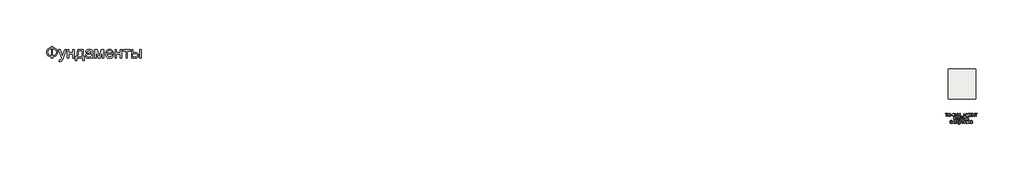
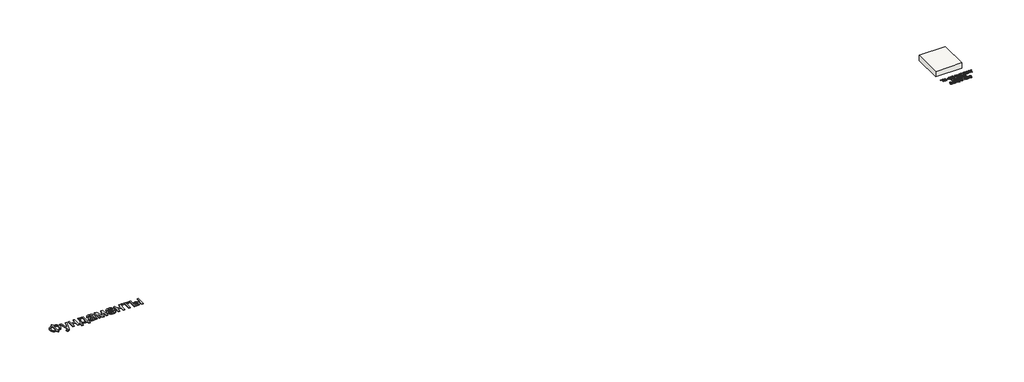
# One storey: 2 proxies, 1 slab.
"""IFC4 building model written with IfcOpenShell, lengths in millimetres."""

from ifc_helpers import new_model, si_unit, frame, origin, origin_with_axes, place, context, project, spatial, polyline, outline, extrude, element, save

model = new_model("IFC4")

# Units and contexts
model_context = context("Model", 3, world=origin())
ifc_project = project(units=[si_unit("LENGTHUNIT", "METRE", prefix="MILLI")], contexts=[model_context])

# Site, building, storey
site = spatial("IfcSite", under=ifc_project)
building = spatial("IfcBuilding", under=site)
storey = spatial("IfcBuildingStorey", under=building, Elevation=0.0)

# Proxies
placement = place(None, origin())
element("IfcBuildingElementProxy", 1, Name="Generic Models", at=placement, inside=storey, context=model_context, shape_type="SweptSolid", body=[
    extrude(outline(polyline([(-1939.8736325, -26885.7211043), (-1939.8736325, -26787.7817103), (-1841.9342386, -26787.7817103), (-1841.9342386, -26885.7211043), (-1772.0723186, -26894.3529698), (-1709.9695132, -26912.2144755), (-1655.6258224, -26939.3056213), (-1609.0412461, -26975.6264073), (-1571.6743546, -27019.0607113), (-1544.9837177, -27067.4924111), (-1528.9693356, -27120.9215067), (-1523.6312083, -27179.3479982), (-1528.8019587, -27236.6028514), (-1544.3142102, -27289.3863505), (-1570.1679625, -27337.6984954), (-1606.3632158, -27381.5392861), (-1628.1416397, -27401.1761824), (-1652.1109076, -27418.4817577), (-1706.6219753, -27446.0989452), (-1769.896419, -27464.3908486), (-1841.9342386, -27473.3574679), (-1841.9342386, -27571.2968619), (-1939.8736325, -27571.2968619), (-1939.8736325, -27473.3574679), (-2005.3060425, -27466.0586398), (-2065.0237272, -27449.518216), (-2119.0266865, -27423.7361966), (-2167.3149204, -27388.7125816), (-2207.0669327, -27345.8939854), (-2222.6837947, -27322.10405), (-2235.4612272, -27296.7270228), (-2245.3992303, -27269.7629041), (-2252.4978039, -27241.2116938), (-2258.1766628, -27179.3479982), (-2252.5157371, -27117.2033486), (-2245.4395801, -27088.5878775), (-2235.5329602, -27061.6103088), (-2222.7958774, -27036.2706426), (-2207.2283318, -27012.5688789), (-2188.8303234, -26990.5050176), (-2167.6018522, -26970.0790588), (-2119.4032845, -26935.3961753), (-2065.382392, -26909.775555), (-2005.5391746, -26893.217198), (-1939.8736325, -26885.7211043)]), holes=[polyline([(-1841.9342386, -26983.6604982), (-1841.9342386, -27375.418074), (-1793.3949393, -27370.2234125), (-1750.3073446, -27359.2303372), (-1712.6714545, -27342.4388481), (-1680.4872689, -27319.8489452), (-1654.7112272, -27291.9627591), (-1636.2997689, -27259.2824206), (-1625.2528939, -27221.8079296), (-1621.5706022, -27179.5392861), (-1625.1871387, -27137.922217), (-1636.036748, -27100.872146), (-1654.1194303, -27068.389073), (-1679.4351855, -27040.4729982), (-1711.2905951, -27017.6977852), (-1748.9922405, -27000.6372975), (-1792.5401216, -26989.2915352), (-1841.9342386, -26983.6604982)]), polyline([(-1939.8736325, -26983.6604982), (-1986.781007, -26988.5861611), (-2028.989873, -26999.3461043), (-2066.5002305, -27015.9403278), (-2099.3120795, -27038.3688316), (-2125.9668498, -27066.2012179), (-2145.0059715, -27099.0070891), (-2156.4294445, -27136.7864452), (-2160.2372689, -27179.5392861), (-2156.4772665, -27221.9035735), (-2145.1972594, -27259.4737085), (-2126.3972476, -27292.2496909), (-2100.077231, -27320.231521), (-2067.5044919, -27342.8692459), (-2029.9463124, -27359.612913), (-1987.4026926, -27370.4625224), (-1939.8736325, -27375.418074), (-1939.8736325, -26983.6604982)])]), origin_with_axes(), (0.0, 0.0, 1.0), 40.0),
    extrude(outline(polyline([(-1401.2069658, -27791.6604982), (-1413.4493901, -27697.355574), (-1386.764731, -27703.8115399), (-1363.7145416, -27705.9635285), (-1337.5559242, -27703.2615872), (-1317.2315871, -27695.1557634), (-1301.4025151, -27682.2199206), (-1288.7296931, -27665.0279225), (-1261.9493901, -27592.9123922), (-1254.2978749, -27569.1926952), (-1462.4190871, -26995.9029225), (-1359.1236325, -26995.9029225), (-1248.7505264, -27315.35368), (-1210.3016628, -27443.1339831), (-1171.8527992, -27330.2741346), (-1058.4190871, -26995.9029225), (-955.888784, -26995.9029225), (-1156.1671931, -27585.0695891), (-1185.9124583, -27663.4019755), (-1208.1974961, -27712.8498922), (-1234.8343333, -27753.6420323), (-1265.0099961, -27781.9048164), (-1300.0634999, -27798.403396), (-1341.3338598, -27803.9029225), (-1369.6922878, -27800.8423164), (-1401.2069658, -27791.6604982)])), origin_with_axes(), (0.0, 0.0, 1.0), 40.0),
    extrude(outline(polyline([(-874.7827234, -26995.9029225), (-776.8433295, -26995.9029225), (-776.8433295, -27216.2665588), (-519.7524204, -27216.2665588), (-519.7524204, -26995.9029225), (-421.8130264, -26995.9029225), (-421.8130264, -27571.2968619), (-519.7524204, -27571.2968619), (-519.7524204, -27314.2059528), (-776.8433295, -27314.2059528), (-776.8433295, -27571.2968619), (-874.7827234, -27571.2968619), (-874.7827234, -26995.9029225)])), origin_with_axes(), (0.0, 0.0, 1.0), 40.0),
    extrude(outline(polyline([(-189.2069658, -26995.9029225), (178.0657614, -26995.9029225), (178.0657614, -27473.3574679), (251.5203069, -27473.3574679), (251.5203069, -27730.448377), (153.5809129, -27730.448377), (153.5809129, -27571.2968619), (-250.4190871, -27571.2968619), (-250.4190871, -27730.448377), (-348.358481, -27730.448377), (-348.358481, -27473.3574679), (-287.1463598, -27473.3574679), (-263.2293972, -27436.3970631), (-242.648017, -27392.9448259), (-225.4022192, -27343.0007563), (-211.4920037, -27286.5648543), (-200.9173707, -27223.6371199), (-193.67832, -27154.2175531), (-189.7748517, -27078.306154), (-189.2069658, -26995.9029225)]), holes=[polyline([(-103.5099961, -27093.8423164), (-111.5440871, -27213.7559054), (-126.4645416, -27316.979627), (-148.2713598, -27403.5134812), (-161.7571552, -27440.521708), (-176.9645416, -27473.3574679), (80.1263675, -27473.3574679), (80.1263675, -27093.8423164), (-103.5099961, -27093.8423164)])]), origin_with_axes(), (0.0, 0.0, 1.0), 40.0),
    extrude(outline(polyline([(728.9748523, -27497.8423164), (682.181055, -27537.964949), (658.2640924, -27552.8256261), (634.0004205, -27564.2192103), (583.3330436, -27578.7092672), (529.079019, -27583.5392861), (485.4713604, -27580.6341014), (447.2317179, -27571.9185475), (414.3600914, -27557.3926242), (386.8564811, -27537.0563316), (365.1393291, -27512.2008628), (349.6270777, -27484.1174111), (340.3197269, -27452.8059764), (337.2172766, -27418.2665588), (341.9038296, -27377.6657066), (355.9634887, -27340.7949679), (377.650752, -27309.2324679), (405.2201175, -27284.5563316), (437.619502, -27265.9057634), (473.796822, -27252.4199679), (558.5373523, -27237.6908013), (658.6765569, -27222.1964831), (728.4009887, -27204.0241346), (728.9748523, -27182.2173164), (727.2891279, -27158.4737085), (722.2319546, -27138.5080361), (713.8033325, -27122.3202994), (702.0032614, -27109.9104982), (681.6071914, -27097.5246081), (656.7636781, -27088.6775437), (627.4727217, -27083.369305), (593.734322, -27081.5998922), (535.391519, -27086.3103562), (512.8195493, -27092.1984362), (494.6472008, -27100.4417482), (479.7147908, -27111.6858888), (466.8626364, -27126.5764547), (456.0907378, -27145.1134457), (447.3990948, -27167.2968619), (349.4597008, -27155.0544376), (366.4604111, -27101.4938316), (378.0990829, -27079.0175058), (391.829966, -27059.4104982), (408.2448571, -27042.2782776), (427.9355531, -27027.2263126), (450.902054, -27014.2546033), (477.1443599, -27003.3631497), (537.3283088, -26988.5861611), (606.359322, -26983.6604982), (672.5688391, -26988.0122975), (725.0534508, -27001.0676952), (764.6261307, -27020.6986138), (792.0998523, -27044.7769755), (810.3200228, -27074.5461516), (822.1320493, -27111.2495134), (825.718697, -27145.1074679), (826.9142463, -27196.9464831), (826.9142463, -27318.7968619), (828.1576175, -27424.9377236), (831.8877311, -27488.94743), (839.2523145, -27531.0068524), (851.3990948, -27571.2968619), (753.4597008, -27571.2968619), (737.7740948, -27537.2476194), (728.9748523, -27497.8423164)]), holes=[polyline([(728.9748523, -27301.9635285), (663.171822, -27318.2708202), (570.9710645, -27331.9957255), (520.1602217, -27339.5037747), (486.7087539, -27347.8726194), (464.7823807, -27358.7282066), (448.546822, -27373.6964831), (438.5042084, -27391.6297217), (435.1566705, -27411.3801952), (436.9798831, -27426.599537), (442.4495209, -27440.5037747), (451.5655839, -27453.0929083), (464.328072, -27464.3669376), (480.6174305, -27473.6563552), (500.3141042, -27480.2916535), (549.9293978, -27485.5998922), (602.5335645, -27479.7417009), (626.5401932, -27472.4189618), (649.016519, -27462.167127), (686.7002311, -27436.2715304), (712.9066705, -27405.450271), (724.5274092, -27373.6964831), (728.4009887, -27329.700271), (728.9748523, -27301.9635285)])]), origin_with_axes(), (0.0, 0.0, 1.0), 40.0),
    extrude(outline(polyline([(961.5809129, -26995.9029225), (1130.1055342, -26995.9029225), (1259.9900039, -27456.5241346), (1400.0127311, -26995.9029225), (1561.4597008, -26995.9029225), (1561.4597008, -27571.2968619), (1463.5203069, -27571.2968619), (1463.5203069, -27107.9976194), (1322.7324281, -27571.2968619), (1194.1869736, -27571.2968619), (1059.5203069, -27085.8082255), (1059.5203069, -27571.2968619), (961.5809129, -27571.2968619), (961.5809129, -26995.9029225)])), origin_with_axes(), (0.0, 0.0, 1.0), 40.0),
    extrude(outline(polyline([(2111.2210645, -27399.9029225), (2207.2475796, -27412.1453467), (2192.5243907, -27450.6061658), (2172.6483845, -27484.4999869), (2147.6195611, -27513.8268098), (2117.4379205, -27538.5866346), (2082.4143055, -27558.2534196), (2042.8595588, -27572.3011232), (1998.7736805, -27580.7297454), (1950.1566705, -27583.5392861), (1889.3869025, -27578.6913339), (1835.2404773, -27564.1474774), (1787.717395, -27539.9077165), (1746.8176554, -27505.9720513), (1713.9280957, -27463.2849656), (1690.4355531, -27412.7909433), (1676.3400275, -27354.4899845), (1671.641519, -27288.3820891), (1676.3878495, -27220.0325389), (1690.626841, -27159.7888126), (1714.3584934, -27107.6509102), (1747.5828069, -27063.6188316), (1788.374947, -27028.6370607), (1834.8100796, -27003.6500816), (1886.8882046, -26988.6578941), (1944.609322, -26983.6604982), (2000.4713604, -26988.6459386), (2050.9892936, -27003.6022596), (2096.1631218, -27028.5294613), (2135.9928448, -27063.4275437), (2168.5058064, -27107.3639783), (2191.7293504, -27159.4062369), (2205.6634769, -27219.5543192), (2210.3081857, -27287.8082255), (2209.734322, -27314.2059528), (1769.5809129, -27314.2059528), (1775.2537941, -27353.2884575), (1786.5338012, -27387.5170323), (1803.4209343, -27416.8916772), (1825.9151932, -27441.4123922), (1852.773207, -27460.7444234), (1882.7516042, -27474.5530172), (1915.850385, -27482.8381734), (1952.0695493, -27485.5998922), (2004.1954963, -27480.4829414), (2048.0960645, -27465.1320891), (2066.9618315, -27453.3798401), (2083.7712539, -27438.590896), (2098.5243315, -27420.7652567), (2111.2210645, -27399.9029225)]), holes=[polyline([(1769.5809129, -27216.2665588), (2112.3687917, -27216.2665588), (2107.3355294, -27188.5537274), (2099.1221061, -27164.5231876), (2087.7285218, -27144.1749395), (2073.1547766, -27127.5089831), (2046.4462065, -27107.4237558), (2016.0553448, -27093.0771649), (1981.9821914, -27084.4692103), (1944.2267463, -27081.5998922), (1909.7889504, -27083.889369), (1878.2085171, -27090.7577994), (1849.4854466, -27102.2051834), (1823.6197387, -27118.231521), (1801.9145422, -27138.0955716), (1785.6730057, -27161.0560948), (1774.8951293, -27187.1130906), (1769.5809129, -27216.2665588)])]), origin_with_axes(), (0.0, 0.0, 1.0), 40.0),
    extrude(outline(polyline([(2308.2475796, -26995.9029225), (2406.1869736, -26995.9029225), (2406.1869736, -27216.2665588), (2663.2778826, -27216.2665588), (2663.2778826, -26995.9029225), (2761.2172766, -26995.9029225), (2761.2172766, -27571.2968619), (2663.2778826, -27571.2968619), (2663.2778826, -27314.2059528), (2406.1869736, -27314.2059528), (2406.1869736, -27571.2968619), (2308.2475796, -27571.2968619), (2308.2475796, -26995.9029225)])), origin_with_axes(), (0.0, 0.0, 1.0), 40.0),
    extrude(outline(polyline([(2859.1566705, -26995.9029225), (3324.3687917, -26995.9029225), (3324.3687917, -27093.8423164), (3140.7324281, -27093.8423164), (3140.7324281, -27571.2968619), (3042.7930342, -27571.2968619), (3042.7930342, -27093.8423164), (2859.1566705, -27093.8423164), (2859.1566705, -26995.9029225)])), origin_with_axes(), (0.0, 0.0, 1.0), 40.0),
    extrude(outline(polyline([(3948.7324281, -26995.9029225), (4046.671822, -26995.9029225), (4046.671822, -27571.2968619), (3948.7324281, -27571.2968619), (3948.7324281, -26995.9029225)])), origin_with_axes(), (0.0, 0.0, 1.0), 40.0),
    extrude(outline(polyline([(3410.0657614, -26995.9029225), (3508.0051554, -26995.9029225), (3508.0051554, -27204.0241346), (3629.0903826, -27204.0241346), (3684.8089551, -27207.0907184), (3733.7487633, -27216.2904698), (3775.9098074, -27231.6233888), (3811.2920872, -27253.0894755), (3839.2858727, -27279.9474892), (3859.2814338, -27311.4561895), (3871.2787704, -27347.6155763), (3875.2778826, -27388.4256497), (3871.924367, -27424.8361019), (3861.8638201, -27458.5087463), (3845.096242, -27489.443583), (3821.6216326, -27517.6406119), (3790.7824399, -27541.1152212), (3751.9211118, -27557.8827994), (3705.0376483, -27567.9433462), (3650.1320493, -27571.2968619), (3410.0657614, -27571.2968619), (3410.0657614, -26995.9029225)]), holes=[polyline([(3508.0051554, -27473.3574679), (3608.6225796, -27473.3574679), (3686.6202122, -27468.2166062), (3715.8274802, -27461.790529), (3738.5070493, -27452.794021), (3755.495804, -27441.0716606), (3767.6306289, -27426.4680266), (3774.9115237, -27408.983119), (3777.3384887, -27388.6169376), (3775.5391871, -27372.1542245), (3770.1412823, -27356.6240399), (3761.1447742, -27342.0263836), (3748.5496629, -27328.3612558), (3729.8094286, -27316.8122501), (3702.3775512, -27308.5629603), (3666.2540308, -27303.6133865), (3621.4388675, -27301.9635285), (3508.0051554, -27301.9635285), (3508.0051554, -27473.3574679)])]), origin_with_axes(), (0.0, 0.0, 1.0), 40.0),
])
element("IfcBuildingElementProxy", 2, Name="Generic Models", at=placement, inside=storey, context=model_context, shape_type="SweptSolid", body=[
    extrude(outline(polyline([(57737.5148285, -31458.9381717), (57737.5148285, -31286.6304794), (57672.8994439, -31286.6304794), (57672.8994439, -31262.0150948), (57826.7455977, -31262.0150948), (57826.7455977, -31286.6304794), (57762.1302131, -31286.6304794), (57762.1302131, -31458.9381717), (57737.5148285, -31458.9381717)])), origin_with_axes(), (0.0, 0.0, 1.0), 20.0),
    extrude(outline(polyline([(57854.4379054, -31458.9381717), (57854.4379054, -31262.0150948), (57879.05329, -31262.0150948), (57879.05329, -31342.0150948), (57983.6686746, -31342.0150948), (57983.6686746, -31262.0150948), (58008.2840592, -31262.0150948), (58008.2840592, -31458.9381717), (57983.6686746, -31458.9381717), (57983.6686746, -31366.6304794), (57879.05329, -31366.6304794), (57879.05329, -31458.9381717), (57854.4379054, -31458.9381717)])), origin_with_axes(), (0.0, 0.0, 1.0), 20.0),
    extrude(outline(polyline([(58035.9763669, -31400.4766332), (58035.9763669, -31375.8612486), (58112.8994439, -31375.8612486), (58112.8994439, -31400.4766332), (58035.9763669, -31400.4766332)])), origin_with_axes(), (0.0, 0.0, 1.0), 20.0),
    extrude(outline(polyline([(58214.4379054, -31286.6304794), (58214.4379054, -31262.0150948), (58239.05329, -31262.0150948), (58239.05329, -31286.6304794), (58272.2203573, -31293.2891332), (58297.5869439, -31309.2266332), (58313.6867035, -31332.3155756), (58319.05329, -31360.4285563), (58313.8549727, -31388.0848063), (58298.2600208, -31411.245864), (58273.0617035, -31427.4718256), (58239.05329, -31434.3227871), (58239.05329, -31458.9381717), (58214.4379054, -31458.9381717), (58214.4379054, -31434.3227871), (58182.9835785, -31428.3312006), (58157.2744439, -31413.0487486), (58147.2834583, -31402.2870299), (58140.14704, -31389.9297582), (58134.4379054, -31360.4285563), (58140.1290112, -31330.8372102), (58147.2428934, -31318.511489), (58157.2023285, -31307.8324025), (58182.8934342, -31292.6761525), (58214.4379054, -31286.6304794)]), holes=[polyline([(58214.4379054, -31311.245864), (58192.0400689, -31315.1881717), (58174.36579, -31324.995864), (58162.881415, -31340.2362486), (58159.05329, -31360.4766332), (58162.8333381, -31380.5667775), (58174.1734823, -31395.8372102), (58191.7996842, -31405.7350467), (58214.4379054, -31409.7074025), (58214.4379054, -31311.245864)]), polyline([(58239.05329, -31311.245864), (58239.05329, -31409.7074025), (58262.0821362, -31405.6388929), (58279.6302131, -31395.7410563), (58290.7359823, -31380.5187006), (58294.4379054, -31360.4766332), (58290.8020881, -31340.7049986), (58279.8946362, -31325.5247102), (58262.412665, -31315.5126909), (58239.05329, -31311.245864)])]), origin_with_axes(), (0.0, 0.0, 1.0), 20.0),
    extrude(outline(polyline([(58339.05329, -31262.0150948), (58366.3129054, -31262.0150948), (58425.2071362, -31378.6497102), (58478.1879054, -31262.0150948), (58505.2071362, -31262.0150948), (58430.4475208, -31415.4285563), (58410.1109823, -31453.120864), (58400.45954, -31459.7915371), (58387.3705977, -31462.0150948), (58365.2071362, -31458.9381717), (58365.2071362, -31437.3997102), (58384.5821362, -31437.3997102), (58398.9571362, -31431.9189409), (58412.2744439, -31406.9670179), (58339.05329, -31262.0150948)])), origin_with_axes(), (0.0, 0.0, 1.0), 20.0),
    extrude(outline(polyline([(58528.2840592, -31458.9381717), (58528.2840592, -31262.0150948), (58552.8994439, -31262.0150948), (58552.8994439, -31342.0150948), (58657.5148285, -31342.0150948), (58657.5148285, -31262.0150948), (58682.1302131, -31262.0150948), (58682.1302131, -31458.9381717), (58657.5148285, -31458.9381717), (58657.5148285, -31366.6304794), (58552.8994439, -31366.6304794), (58552.8994439, -31458.9381717), (58528.2840592, -31458.9381717)])), origin_with_axes(), (0.0, 0.0, 1.0), 20.0),
    extrude(outline(polyline([(58743.6686746, -31262.0150948), (58860.5917515, -31262.0150948), (58860.5917515, -31434.3227871), (58879.05329, -31434.3227871), (58879.05329, -31505.0920179), (58854.4379054, -31505.0920179), (58854.4379054, -31458.9381717), (58728.2840592, -31458.9381717), (58728.2840592, -31505.0920179), (58703.6686746, -31505.0920179), (58703.6686746, -31434.3227871), (58719.05329, -31434.3227871), (58729.8225208, -31411.9940611), (58737.5148285, -31380.5848063), (58742.1302131, -31340.0950227), (58743.6686746, -31290.5247102), (58743.6686746, -31262.0150948)]), holes=[polyline([(58835.9763669, -31286.6304794), (58768.2840592, -31286.6304794), (58768.2840592, -31296.5343256), (58763.2840592, -31363.9862486), (58755.8802131, -31402.964614), (58743.6686746, -31434.3227871), (58835.9763669, -31434.3227871), (58835.9763669, -31286.6304794)])]), origin_with_axes(), (0.0, 0.0, 1.0), 20.0),
    extrude(outline(polyline([(58886.8898285, -31458.9381717), (58965.4955977, -31262.0150948), (58986.4571362, -31262.0150948), (59065.0629054, -31458.9381717), (59039.05329, -31458.9381717), (59016.5052131, -31397.3997102), (58935.3994439, -31397.3997102), (58912.8994439, -31458.9381717), (58886.8898285, -31458.9381717)]), holes=[polyline([(58944.4379054, -31372.7843256), (59007.5148285, -31372.7843256), (58989.7744439, -31324.370864), (58975.9763669, -31286.6304794), (58963.7167515, -31320.1400948), (58944.4379054, -31372.7843256)])]), origin_with_axes(), (0.0, 0.0, 1.0), 20.0),
    extrude(outline(polyline([(59091.3609823, -31458.9381717), (59091.3609823, -31262.0150948), (59133.7167515, -31262.0150948), (59174.0052131, -31400.8131717), (59182.1302131, -31429.8035563), (59190.92829, -31398.4093256), (59230.5436746, -31262.0150948), (59272.8994439, -31262.0150948), (59272.8994439, -31458.9381717), (59248.2840592, -31458.9381717), (59248.2840592, -31286.6304794), (59198.8129054, -31458.9381717), (59165.4475208, -31458.9381717), (59115.9763669, -31286.6304794), (59115.9763669, -31458.9381717), (59091.3609823, -31458.9381717)])), origin_with_axes(), (0.0, 0.0, 1.0), 20.0),
    extrude(outline(polyline([(59315.9763669, -31458.9381717), (59315.9763669, -31262.0150948), (59457.5148285, -31262.0150948), (59457.5148285, -31286.6304794), (59340.5917515, -31286.6304794), (59340.5917515, -31345.0920179), (59451.3609823, -31345.0920179), (59451.3609823, -31369.7074025), (59340.5917515, -31369.7074025), (59340.5917515, -31434.3227871), (59460.5917515, -31434.3227871), (59460.5917515, -31458.9381717), (59315.9763669, -31458.9381717)])), origin_with_axes(), (0.0, 0.0, 1.0), 20.0),
    extrude(outline(polyline([(59497.5148285, -31458.9381717), (59497.5148285, -31262.0150948), (59522.1302131, -31262.0150948), (59522.1302131, -31342.0150948), (59626.7455977, -31342.0150948), (59626.7455977, -31262.0150948), (59651.3609823, -31262.0150948), (59651.3609823, -31458.9381717), (59626.7455977, -31458.9381717), (59626.7455977, -31366.6304794), (59522.1302131, -31366.6304794), (59522.1302131, -31458.9381717), (59497.5148285, -31458.9381717)])), origin_with_axes(), (0.0, 0.0, 1.0), 20.0),
    extrude(outline(polyline([(59743.6686746, -31458.9381717), (59743.6686746, -31286.6304794), (59679.05329, -31286.6304794), (59679.05329, -31262.0150948), (59832.8994439, -31262.0150948), (59832.8994439, -31286.6304794), (59768.2840592, -31286.6304794), (59768.2840592, -31458.9381717), (59743.6686746, -31458.9381717)])), origin_with_axes(), (0.0, 0.0, 1.0), 20.0),
    extrude(outline(polyline([(58263.6686746, -31505.0920179), (58288.2840592, -31505.0920179), (58288.2840592, -31591.245864), (58304.9487227, -31589.6172582), (58315.8080977, -31584.7314409), (58324.5881458, -31573.2350467), (58335.0148285, -31551.7747102), (58348.5965592, -31524.2506717), (58363.9811746, -31510.620864), (58385.9763669, -31505.0920179), (58402.1302131, -31505.3804794), (58402.1302131, -31529.995864), (58396.6975208, -31529.8516332), (58391.2648285, -31529.7074025), (58379.99079, -31531.1857679), (58372.0340592, -31535.620864), (58357.4186746, -31560.9574025), (58339.99079, -31591.8227871), (58322.9955977, -31602.0150948), (58341.9980015, -31613.1449025), (58360.7359823, -31636.3420179), (58402.1302131, -31702.0150948), (58373.5725208, -31702.0150948), (58338.5725208, -31646.5343256), (58313.9330977, -31617.5679794), (58302.5568958, -31611.6725467), (58288.2840592, -31609.7074025), (58288.2840592, -31702.0150948), (58263.6686746, -31702.0150948), (58263.6686746, -31505.0920179)])), origin_with_axes(), (0.0, 0.0, 1.0), 20.0),
    extrude(outline(polyline([(58432.8994439, -31557.3997102), (58543.6686746, -31557.3997102), (58543.6686746, -31701.870864), (58519.05329, -31701.870864), (58519.05329, -31582.0150948), (58457.5148285, -31582.0150948), (58457.5148285, -31651.0054794), (58455.8561746, -31682.8324025), (58446.7455977, -31696.2699025), (58437.6350208, -31700.5787967), (58425.2071362, -31702.0150948), (58405.2071362, -31700.7650948), (58405.2071362, -31677.3997102), (58416.2167515, -31677.3997102), (58427.3465592, -31675.8852871), (58431.7936746, -31671.0775948), (58432.8994439, -31649.6112486), (58432.8994439, -31557.3997102)])), origin_with_axes(), (0.0, 0.0, 1.0), 20.0),
    extrude(outline(polyline([(58672.8994439, -31683.5535563), (58649.0292515, -31700.2362486), (58622.6590592, -31705.0920179), (58602.0881458, -31702.1713448), (58586.9138669, -31693.4093256), (58577.5568958, -31680.1040371), (58574.4379054, -31663.5535563), (58579.1494439, -31644.0824025), (58591.5292515, -31629.9477871), (58608.7648285, -31621.870864), (58630.0629054, -31618.1689409), (58672.7552131, -31609.7074025), (58672.8994439, -31604.2266332), (58671.2047323, -31593.2410563), (58666.1205977, -31586.0535563), (58654.7504054, -31580.7170179), (58638.9090592, -31578.9381717), (58614.0052131, -31583.6737486), (58607.02204, -31590.2422582), (58602.1302131, -31600.4766332), (58577.5148285, -31597.3997102), (58588.1638669, -31573.3612486), (58597.2383862, -31565.2723063), (58609.6061746, -31559.2747102), (58642.0821362, -31554.3227871), (58671.9138669, -31558.6977871), (58688.7648285, -31569.683364), (58696.3129054, -31586.3900948), (58697.5148285, -31607.9285563), (58697.5148285, -31638.5535563), (58698.7648285, -31681.3179794), (58703.6686746, -31702.0150948), (58679.05329, -31702.0150948), (58672.8994439, -31683.5535563)]), holes=[polyline([(58672.8994439, -31634.3227871), (58633.1879054, -31641.870864), (58612.0100208, -31645.8612486), (58602.4186746, -31652.3516332), (58599.05329, -31661.8227871), (58600.8862227, -31669.1424986), (58606.3850208, -31675.1400948), (58615.4294919, -31679.1424986), (58627.8994439, -31680.4766332), (58641.1205977, -31679.0042775), (58652.80329, -31674.5872102), (58668.8609823, -31660.3324025), (58672.7552131, -31641.2939409), (58672.8994439, -31634.3227871)])]), origin_with_axes(), (0.0, 0.0, 1.0), 20.0),
    extrude(outline(polyline([(58823.6686746, -31649.7074025), (58848.2840592, -31652.7843256), (58841.4210785, -31674.6773544), (58828.5244439, -31691.2218256), (58810.8080977, -31701.6244698), (58789.4859823, -31705.0920179), (58763.3020881, -31700.2542775), (58742.8273285, -31685.7410563), (58729.6121842, -31662.1893736), (58725.2071362, -31630.2362486), (58727.0881458, -31608.3312006), (58732.7311746, -31589.3468256), (58742.2263669, -31574.0162967), (58755.6638669, -31563.0727871), (58771.7395881, -31556.5102871), (58789.1494439, -31554.3227871), (58809.9487227, -31557.3275948), (58826.5773285, -31566.3420179), (58838.506415, -31580.8852871), (58845.2071362, -31600.4766332), (58820.5917515, -31603.5535563), (58816.1266073, -31592.8143736), (58809.1734823, -31585.1160563), (58800.1169919, -31580.4826429), (58789.3417515, -31578.9381717), (58773.4342996, -31581.9790371), (58760.8080977, -31591.1016332), (58752.568915, -31606.7987486), (58749.8225208, -31629.5631717), (58752.5088189, -31652.6340852), (58760.5677131, -31668.3852871), (58772.9655496, -31677.4537967), (58788.6686746, -31680.4766332), (58801.4150689, -31678.589614), (58811.86579, -31672.9285563), (58819.4679535, -31663.3492294), (58823.6686746, -31649.7074025)])), origin_with_axes(), (0.0, 0.0, 1.0), 20.0),
    extrude(outline(polyline([(58962.1302131, -31649.7074025), (58986.7455977, -31652.7843256), (58979.8826169, -31674.6773544), (58966.9859823, -31691.2218256), (58949.2696362, -31701.6244698), (58927.9475208, -31705.0920179), (58901.7636265, -31700.2542775), (58881.2888669, -31685.7410563), (58868.0737227, -31662.1893736), (58863.6686746, -31630.2362486), (58865.5496842, -31608.3312006), (58871.1927131, -31589.3468256), (58880.6879054, -31574.0162967), (58894.1254054, -31563.0727871), (58910.2011265, -31556.5102871), (58927.6109823, -31554.3227871), (58948.4102612, -31557.3275948), (58965.0388669, -31566.3420179), (58976.9679535, -31580.8852871), (58983.6686746, -31600.4766332), (58959.05329, -31603.5535563), (58954.5881458, -31592.8143736), (58947.6350208, -31585.1160563), (58938.5785304, -31580.4826429), (58927.80329, -31578.9381717), (58911.8958381, -31581.9790371), (58899.2696362, -31591.1016332), (58891.0304535, -31606.7987486), (58888.2840592, -31629.5631717), (58890.9703573, -31652.6340852), (58899.0292515, -31668.3852871), (58911.4270881, -31677.4537967), (58927.1302131, -31680.4766332), (58939.8766073, -31678.589614), (58950.3273285, -31672.9285563), (58957.9294919, -31663.3492294), (58962.1302131, -31649.7074025)])), origin_with_axes(), (0.0, 0.0, 1.0), 20.0),
    extrude(outline(polyline([(59008.2840592, -31557.3997102), (59032.8994439, -31557.3997102), (59032.8994439, -31667.6881717), (59093.3802131, -31557.3997102), (59125.2071362, -31557.3997102), (59125.2071362, -31702.0150948), (59100.5917515, -31702.0150948), (59100.5917515, -31592.3997102), (59040.4955977, -31702.0150948), (59008.2840592, -31702.0150948), (59008.2840592, -31557.3997102)])), origin_with_axes(), (0.0, 0.0, 1.0), 20.0),
    extrude(outline(polyline([(59162.1302131, -31557.3997102), (59186.7455977, -31557.3997102), (59186.7455977, -31618.9381717), (59203.2359823, -31614.5150948), (59216.7455977, -31588.745864), (59227.9715592, -31566.5102871), (59237.8754054, -31559.2747102), (59255.8802131, -31557.3997102), (59260.5917515, -31557.3997102), (59260.5917515, -31582.1593256), (59253.9571362, -31582.0150948), (59241.9379054, -31584.6112486), (59233.4763669, -31600.8131717), (59223.5484823, -31618.3372102), (59209.6302131, -31626.9189409), (59225.1590592, -31636.4982679), (59240.3994439, -31656.6785563), (59266.7455977, -31702.0150948), (59238.7648285, -31702.0150948), (59212.9475208, -31657.6400948), (59199.9667515, -31638.8660563), (59186.7455977, -31634.3227871), (59186.7455977, -31702.0150948), (59162.1302131, -31702.0150948), (59162.1302131, -31557.3997102)])), origin_with_axes(), (0.0, 0.0, 1.0), 20.0),
    extrude(outline(polyline([(58068.2840592, -31831.245864), (58142.1302131, -31831.245864), (58136.70954, -31805.855239), (58123.7167515, -31786.3179794), (58103.74079, -31773.8600467), (58077.3705977, -31769.7074025), (58057.4937948, -31772.2074025), (58041.6614631, -31779.7074025), (58029.8736025, -31792.2074025), (58022.1302131, -31809.7074025), (57997.5148285, -31803.5535563), (58008.0436746, -31779.058364), (58025.2071362, -31760.5727871), (58048.1758862, -31748.9622102), (58076.1205977, -31745.0920179), (58102.95954, -31748.6437006), (58125.7840592, -31759.2987486), (58143.9150689, -31775.4766332), (58156.6734823, -31795.5968256), (58164.2275689, -31818.8600467), (58166.7455977, -31844.4670179), (58165.9793717, -31865.520203), (58162.1903092, -31884.8336044), (58155.3784102, -31902.4072222), (58145.5436746, -31918.2410563), (58132.710141, -31931.3345058), (58116.9018477, -31940.6869698), (58098.1187948, -31946.2984481), (58076.3609823, -31948.1689409), (58046.9018477, -31944.1304794), (58023.42829, -31932.0150948), (58005.9403092, -31911.8227871), (57994.4379054, -31883.5535563), (58019.05329, -31877.3997102), (58027.3705977, -31897.5920179), (58040.1590592, -31912.0150948), (58057.4186746, -31920.6689409), (58079.1494439, -31923.5535563), (58103.6927131, -31919.0223063), (58123.3802131, -31905.4285563), (58136.6975208, -31883.9742294), (58142.1302131, -31855.8612486), (58068.2840592, -31855.8612486), (58068.2840592, -31831.245864)])), origin_with_axes(), (0.0, 0.0, 1.0), 20.0),
    extrude(outline(polyline([(58197.5148285, -31800.4766332), (58222.1302131, -31800.4766332), (58222.1302131, -31862.0150948), (58238.6205977, -31857.5920179), (58252.1302131, -31831.8227871), (58263.3561746, -31809.5872102), (58273.2600208, -31802.3516332), (58291.2648285, -31800.4766332), (58295.9763669, -31800.4766332), (58295.9763669, -31825.2362486), (58289.3417515, -31825.0920179), (58277.3225208, -31827.6881717), (58268.8609823, -31843.8900948), (58258.9330977, -31861.4141332), (58245.0148285, -31869.995864), (58260.5436746, -31879.5751909), (58275.7840592, -31899.7554794), (58302.1302131, -31945.0920179), (58274.1494439, -31945.0920179), (58248.3321362, -31900.7170179), (58235.3513669, -31881.9429794), (58222.1302131, -31877.3997102), (58222.1302131, -31945.0920179), (58197.5148285, -31945.0920179), (58197.5148285, -31800.4766332)])), origin_with_axes(), (0.0, 0.0, 1.0), 20.0),
    extrude(outline(polyline([(58409.8225208, -31892.7843256), (58434.4379054, -31895.8612486), (58427.5749246, -31917.7542775), (58414.67829, -31934.2987486), (58396.9619439, -31944.7013929), (58375.6398285, -31948.1689409), (58349.4559342, -31943.3312006), (58328.9811746, -31928.8179794), (58315.7660304, -31905.2662967), (58311.3609823, -31873.3131717), (58313.2419919, -31851.4081236), (58318.8850208, -31832.4237486), (58328.3802131, -31817.0932198), (58341.8177131, -31806.1497102), (58357.8934342, -31799.5872102), (58375.30329, -31797.3997102), (58396.1025689, -31800.4045179), (58412.7311746, -31809.4189409), (58424.6602612, -31823.9622102), (58431.3609823, -31843.5535563), (58406.7455977, -31846.6304794), (58402.2804535, -31835.8912967), (58395.3273285, -31828.1929794), (58386.2708381, -31823.5595659), (58375.4955977, -31822.0150948), (58359.5881458, -31825.0559602), (58346.9619439, -31834.1785563), (58338.7227612, -31849.8756717), (58335.9763669, -31872.6400948), (58338.662665, -31895.7110082), (58346.7215592, -31911.4622102), (58359.1193958, -31920.5307198), (58374.8225208, -31923.5535563), (58387.568915, -31921.6665371), (58398.0196362, -31916.0054794), (58405.6217996, -31906.4261525), (58409.8225208, -31892.7843256)])), origin_with_axes(), (0.0, 0.0, 1.0), 20.0),
    extrude(outline(polyline([(58443.6686746, -31800.4766332), (58560.5917515, -31800.4766332), (58560.5917515, -31825.0920179), (58514.4379054, -31825.0920179), (58514.4379054, -31945.0920179), (58489.8225208, -31945.0920179), (58489.8225208, -31825.0920179), (58443.6686746, -31825.0920179), (58443.6686746, -31800.4766332)])), origin_with_axes(), (0.0, 0.0, 1.0), 20.0),
    extrude(outline(polyline([(58582.1302131, -32000.4766332), (58582.1302131, -31800.4766332), (58606.7455977, -31800.4766332), (58606.7455977, -31824.6112486), (58623.7648285, -31804.2025948), (58634.2455977, -31799.1004313), (58646.7455977, -31797.3997102), (58663.3922323, -31799.7795179), (58677.9475208, -31806.9189409), (58689.7984823, -31818.3852871), (58698.3321362, -31833.745864), (58703.4883862, -31851.8828832), (58705.2071362, -31871.6785563), (58703.2660304, -31892.730239), (58697.4427131, -31911.558364), (58687.9234823, -31927.2074025), (58674.8946362, -31938.7218256), (58659.7203573, -31945.8071621), (58643.7648285, -31948.1689409), (58632.4487227, -31946.5884121), (58622.3465592, -31941.8468256), (58606.7455977, -31925.8612486), (58606.7455977, -32000.4766332), (58582.1302131, -32000.4766332)]), holes=[polyline([(58606.7455977, -31873.9381717), (58609.4078573, -31896.0054794), (58617.3946362, -31911.4381717), (58629.1794919, -31920.5247102), (58643.2359823, -31923.5535563), (58657.5208381, -31920.4165371), (58669.6061746, -31911.0054794), (58677.8453573, -31895.0078832), (58680.5917515, -31872.1112486), (58677.9114631, -31850.1641332), (58669.8705977, -31834.5150948), (58658.1037708, -31825.1400948), (58644.2455977, -31822.0150948), (58630.3333381, -31825.3384121), (58618.11579, -31835.308364), (58609.5881458, -31851.6124506), (58606.7455977, -31873.9381717)])]), origin_with_axes(), (0.0, 0.0, 1.0), 20.0),
    extrude(outline(polyline([(58825.2071362, -31926.6304794), (58801.3369439, -31943.3131717), (58774.9667515, -31948.1689409), (58754.3958381, -31945.2482679), (58739.2215592, -31936.4862486), (58729.8645881, -31923.1809602), (58726.7455977, -31906.6304794), (58731.4571362, -31887.1593256), (58743.8369439, -31873.0247102), (58761.0725208, -31864.9477871), (58782.3705977, -31861.245864), (58825.0629054, -31852.7843256), (58825.2071362, -31847.3035563), (58823.5124246, -31836.3179794), (58818.42829, -31829.1304794), (58807.0580977, -31823.7939409), (58791.2167515, -31822.0150948), (58766.3129054, -31826.7506717), (58759.3297323, -31833.3191813), (58754.4379054, -31843.5535563), (58729.8225208, -31840.4766332), (58740.4715592, -31816.4381717), (58749.5460785, -31808.3492294), (58761.9138669, -31802.3516332), (58794.3898285, -31797.3997102), (58824.2215592, -31801.7747102), (58841.0725208, -31812.7602871), (58848.6205977, -31829.4670179), (58849.8225208, -31851.0054794), (58849.8225208, -31881.6304794), (58851.0725208, -31924.3949025), (58855.9763669, -31945.0920179), (58831.3609823, -31945.0920179), (58825.2071362, -31926.6304794)]), holes=[polyline([(58825.2071362, -31877.3997102), (58785.4955977, -31884.9477871), (58764.3177131, -31888.9381717), (58754.7263669, -31895.4285563), (58751.3609823, -31904.8997102), (58753.193915, -31912.2194217), (58758.6927131, -31918.2170179), (58767.7371842, -31922.2194217), (58780.2071362, -31923.5535563), (58793.42829, -31922.0812006), (58805.1109823, -31917.6641332), (58821.1686746, -31903.4093256), (58825.0629054, -31884.370864), (58825.2071362, -31877.3997102)])]), origin_with_axes(), (0.0, 0.0, 1.0), 20.0),
    extrude(outline(polyline([(58963.6686746, -31748.1689409), (58988.2840592, -31748.1689409), (58988.2840592, -31834.3227871), (59004.9487227, -31832.6941813), (59015.8080977, -31827.808364), (59024.5881458, -31816.3119698), (59035.0148285, -31794.8516332), (59048.5965592, -31767.3275948), (59063.9811746, -31753.6977871), (59085.9763669, -31748.1689409), (59102.1302131, -31748.4574025), (59102.1302131, -31773.0727871), (59096.6975208, -31772.9285563), (59091.2648285, -31772.7843256), (59079.99079, -31774.2626909), (59072.0340592, -31778.6977871), (59057.4186746, -31804.0343256), (59039.99079, -31834.8997102), (59022.9955977, -31845.0920179), (59041.9980015, -31856.2218256), (59060.7359823, -31879.4189409), (59102.1302131, -31945.0920179), (59073.5725208, -31945.0920179), (59038.5725208, -31889.6112486), (59013.9330977, -31860.6449025), (59002.5568958, -31854.7494698), (58988.2840592, -31852.7843256), (58988.2840592, -31945.0920179), (58963.6686746, -31945.0920179), (58963.6686746, -31748.1689409)])), origin_with_axes(), (0.0, 0.0, 1.0), 20.0),
    extrude(outline(polyline([(59123.6686746, -31945.0920179), (59123.6686746, -31748.1689409), (59166.0244439, -31748.1689409), (59206.3129054, -31886.9670179), (59214.4379054, -31915.9574025), (59223.2359823, -31884.5631717), (59262.8513669, -31748.1689409), (59305.2071362, -31748.1689409), (59305.2071362, -31945.0920179), (59280.5917515, -31945.0920179), (59280.5917515, -31772.7843256), (59231.1205977, -31945.0920179), (59197.7552131, -31945.0920179), (59148.2840592, -31772.7843256), (59148.2840592, -31945.0920179), (59123.6686746, -31945.0920179)])), origin_with_axes(), (0.0, 0.0, 1.0), 20.0),
    extrude(outline(polyline([(59486.7455977, -31875.0920179), (59511.3609823, -31881.4381717), (59500.0028092, -31910.1220659), (59482.17829, -31931.0775948), (59458.7648285, -31943.8961044), (59430.6398285, -31948.1689409), (59402.0881458, -31944.9357679), (59379.4138669, -31935.2362486), (59362.0340592, -31919.4069217), (59349.36579, -31897.7843256), (59341.631415, -31872.3636525), (59339.05329, -31845.1400948), (59341.9679535, -31816.4261525), (59350.7119439, -31791.6304794), (59364.8285304, -31771.5403352), (59383.8609823, -31756.9429794), (59406.4330977, -31748.0547582), (59431.1686746, -31745.0920179), (59458.1578573, -31748.9261525), (59480.4715592, -31760.4285563), (59497.412665, -31778.8900948), (59508.2840592, -31803.6016332), (59483.6686746, -31809.4670179), (59475.1350208, -31791.5162967), (59463.4763669, -31779.2025948), (59448.5484823, -31772.0812006), (59430.2071362, -31769.7074025), (59409.0653092, -31772.339614), (59391.6975208, -31780.2362486), (59378.5184342, -31792.5679794), (59369.9427131, -31808.5054794), (59365.2371842, -31826.5223063), (59363.6686746, -31845.0920179), (59365.5256458, -31867.8324025), (59371.0965592, -31887.495864), (59380.5917515, -31903.3312006), (59394.2215592, -31914.5872102), (59410.5617035, -31921.3119698), (59428.1879054, -31923.5535563), (59448.7347804, -31920.5006717), (59465.8561746, -31911.3420179), (59478.7828573, -31896.1737486), (59486.7455977, -31875.0920179)])), origin_with_axes(), (0.0, 0.0, 1.0), 20.0),
])

# Slab
element("IfcSlab", 3, at=placement, inside=storey, context=model_context, shape_type="SweptSolid", body=[
    extrude(outline(polyline([(57881.3955952, -28302.6148653), (59706.3955952, -28302.6148653), (59706.3955952, -30302.6148653), (57881.3955952, -30302.6148653), (57881.3955952, -28302.6148653)])), frame((0.0, 0.0, -394.0), z_axis=(0.0, 0.0, 1.0), x_axis=(1.0, 0.0, 0.0)), (0.0, 0.0, 1.0), 394.0),
])

save(model, "model.ifc")
